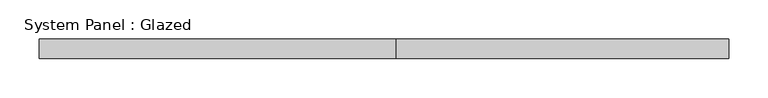
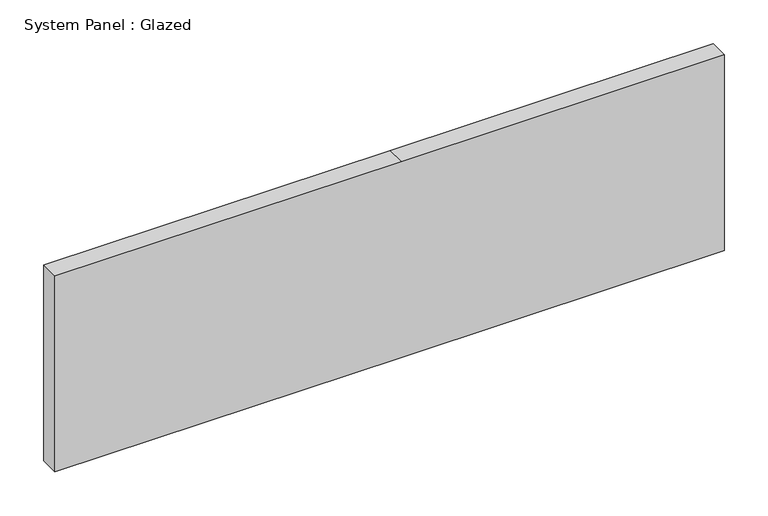
"""IFC4 building model written with IfcOpenShell, lengths in millimetres: plate geometry, System Panel : Glazed."""

import ifcopenshell
import ifcopenshell.guid

model = None  # the IFC model being written
_history = None  # IfcOwnerHistory: only IFC2X3 demands one
_inside = {}  # id of a spatial element -> (the spatial element, [elements in it])
_under = {}  # id of a project, library or spatial element -> (it, [spatial elements below it])
_declared = {}  # id of a project -> (the project, [libraries it declares])
_typed = {}  # id of a type object -> (the type object, [elements of that type])
_made_of = {}  # id of a material, layer set ... -> (it, [elements and type objects made of it])


def new_model(schema):
    """Start an empty IFC model of exactly this schema.

    Asked for "IFC4X3", IfcOpenShell would pick the latest addendum, in which some entities
    have other attributes; the version numbers below select the first issue.
    IFC2X3 requires an IfcOwnerHistory on every rooted entity: one is made here for all.
    """
    global model, _history
    if schema == "IFC4X3":
        model = ifcopenshell.file(schema_version=(4, 3, 0, 0))
    else:
        model = ifcopenshell.file(schema=schema)
    _inside.clear()
    _under.clear()
    _declared.clear()
    _typed.clear()
    _made_of.clear()
    _history = None
    if model.schema == "IFC2X3":
        org = make("IfcOrganization", Name="unknown")
        user = make(
            "IfcPersonAndOrganization",
            ThePerson=make("IfcPerson", FamilyName="unknown"),
            TheOrganization=org,
        )
        app = make(
            "IfcApplication",
            ApplicationDeveloper=org,
            Version="unknown",
            ApplicationFullName="unknown",
            ApplicationIdentifier="unknown",
        )
        _history = make(
            "IfcOwnerHistory",
            OwningUser=user,
            OwningApplication=app,
            ChangeAction="ADDED",
            CreationDate=0,
        )
    return model


def make(cls, **values):
    """One entity of the class cls with the attributes given. An attribute that is None is left unset."""
    return model.create_entity(
        cls, **{name: value for name, value in values.items() if value is not None}
    )


def rooted(cls, **values):
    """An entity with a GlobalId (a new one), such as an element, a storey or a relation."""
    return make(cls, GlobalId=ifcopenshell.guid.new(), OwnerHistory=_history, **values)


def si_unit(unit_type, name, prefix=None):
    """IfcSIUnit, for example si_unit("LENGTHUNIT", "METRE", prefix="MILLI")."""
    return make("IfcSIUnit", UnitType=unit_type, Prefix=prefix, Name=name)


def assignment(units):
    """IfcUnitAssignment: the units of a project."""
    return None if units is None else make("IfcUnitAssignment", Units=units)


def point(xyz):
    """IfcCartesianPoint."""
    return None if xyz is None else make("IfcCartesianPoint", Coordinates=xyz)


def direction(xyz):
    """IfcDirection."""
    return None if xyz is None else make("IfcDirection", DirectionRatios=xyz)


def frame(location, z_axis=None, x_axis=None):
    """IfcAxis2Placement3D, a coordinate frame: its origin and axes. An axis left out is left unset."""
    return make(
        "IfcAxis2Placement3D",
        Location=point(location),
        Axis=direction(z_axis),
        RefDirection=direction(x_axis),
    )


def origin():
    """The frame at (0, 0, 0) with its axes left unset."""
    return frame((0.0, 0.0, 0.0))


def place(relative_to, where):
    """IfcLocalPlacement: puts the frame where relative to a parent placement (None: the world)."""
    return make(
        "IfcLocalPlacement", PlacementRelTo=relative_to, RelativePlacement=where
    )


def context(
    kind, dimensions, precision=None, world=None, true_north=None, identifier=None
):
    """IfcGeometricRepresentationContext, for example the 3D "Model" context."""
    return make(
        "IfcGeometricRepresentationContext",
        ContextIdentifier=identifier,
        ContextType=kind,
        CoordinateSpaceDimension=dimensions,
        Precision=precision,
        WorldCoordinateSystem=world,
        TrueNorth=true_north,
    )


def project(units=None, contexts=None):
    """IfcProject with its units and contexts."""
    return rooted(
        "IfcProject",
        Name="project",
        RepresentationContexts=contexts,
        UnitsInContext=assignment(units),
    )


def spatial(cls, under=None, at=None, **own):
    """A site, building, storey or space (cls), placed at a placement, below another one or the project."""
    s = rooted(cls, ObjectPlacement=at, **own)
    if under is not None:
        _under.setdefault(under.id(), (under, []))[1].append(s)
    return s


def polyline(points):
    """IfcPolyline through the points."""
    return make("IfcPolyline", Points=[point(p) for p in points])


def outline(outer, holes=None, kind="AREA"):
    """IfcArbitraryClosedProfileDef: a profile drawn as a closed curve; with holes, ...WithVoids."""
    if holes is None:
        return make("IfcArbitraryClosedProfileDef", ProfileType=kind, OuterCurve=outer)
    return make(
        "IfcArbitraryProfileDefWithVoids",
        ProfileType=kind,
        OuterCurve=outer,
        InnerCurves=holes,
    )


def extrude(swept, where, along, depth):
    """IfcExtrudedAreaSolid: the profile swept, set in the frame where, extruded along a direction by depth."""
    return make(
        "IfcExtrudedAreaSolid",
        SweptArea=swept,
        Position=where,
        ExtrudedDirection=direction(along),
        Depth=depth,
    )


def shape(context_of_items, identifier, shape_type, items):
    """IfcShapeRepresentation: the items that make up one representation, for example the "Body"."""
    return make(
        "IfcShapeRepresentation",
        ContextOfItems=context_of_items,
        RepresentationIdentifier=identifier,
        RepresentationType=shape_type,
        Items=items,
    )


def source(mapping_origin, context_of_items, identifier, shape_type, items):
    """IfcRepresentationMap: a shape defined once, which mapped items show again and again."""
    return make(
        "IfcRepresentationMap",
        MappingOrigin=mapping_origin,
        MappedRepresentation=shape(context_of_items, identifier, shape_type, items),
    )


def transform(
    local_origin,
    x_axis=None,
    y_axis=None,
    z_axis=None,
    scale=None,
    scale2=None,
    scale3=None,
    uniform=True,
):
    """IfcCartesianTransformationOperator3D, or its non-uniform kind. x_axis, y_axis, z_axis: its Axis1, 2, 3."""
    if uniform:
        return make(
            "IfcCartesianTransformationOperator3D",
            Axis1=direction(x_axis),
            Axis2=direction(y_axis),
            LocalOrigin=point(local_origin),
            Scale=scale,
            Axis3=direction(z_axis),
        )
    return make(
        "IfcCartesianTransformationOperator3DnonUniform",
        Axis1=direction(x_axis),
        Axis2=direction(y_axis),
        LocalOrigin=point(local_origin),
        Scale=scale,
        Axis3=direction(z_axis),
        Scale2=scale2,
        Scale3=scale3,
    )


def mapped(mapping_source, mapping_target):
    """IfcMappedItem: shows the shape of a source again, moved by a transform."""
    return make(
        "IfcMappedItem", MappingSource=mapping_source, MappingTarget=mapping_target
    )


def made_of(thing, what):
    """Note that an element or type object is made of a material, layer set ...; save() writes the relation."""
    if what is not None:
        _made_of.setdefault(what.id(), (what, []))[1].append(thing)
    return thing


def element(
    cls,
    number,
    at=None,
    inside=None,
    cuts=None,
    type_object=None,
    material=None,
    context=None,
    identifier="Body",
    shape_type=None,
    held_by="IfcProductDefinitionShape",
    body=None,
    shapes=None,
    **own,
):
    """One element of the class cls, such as IfcWall. Its Tag is "e" and its number.

    at: its placement. inside: the storey or other place that contains it. cuts: it is an
    opening in that element (IfcRelVoidsElement). A single representation is given by context,
    identifier, shape_type and body (its items); several are given by shapes. held_by: the class
    of the entity that holds the representations. save() writes the other relations.
    """
    e = rooted(cls, Tag="e%d" % number, ObjectPlacement=at, **own)
    if body is not None:
        shapes = [shape(context, identifier, shape_type, body)]
    if shapes is not None:
        e.Representation = make(held_by, Representations=shapes)
    if inside is not None:
        _inside.setdefault(inside.id(), (inside, []))[1].append(e)
    if cuts is not None:
        rooted(
            "IfcRelVoidsElement", RelatingBuildingElement=cuts, RelatedOpeningElement=e
        )
    if type_object is not None:
        _typed.setdefault(type_object.id(), (type_object, []))[1].append(e)
    return made_of(e, material)


def aggregate(whole, parts):
    """IfcRelAggregates: a whole, such as a stair, and the parts it consists of."""
    return rooted("IfcRelAggregates", RelatingObject=whole, RelatedObjects=parts)


def save(model, path):
    """Write the relations noted so far, then the file.

    IfcRelAggregates (storeys below a building ...), IfcRelContainedInSpatialStructure (elements
    in a storey), IfcRelDefinesByType, IfcRelAssociatesMaterial and IfcRelDeclares: one each for
    every whole, place, type object, material and project.
    """
    for whole, parts in _under.values():
        aggregate(whole, parts)
    for where, things in _inside.values():
        rooted(
            "IfcRelContainedInSpatialStructure",
            RelatedElements=things,
            RelatingStructure=where,
        )
    for kind, things in _typed.values():
        rooted("IfcRelDefinesByType", RelatedObjects=things, RelatingType=kind)
    for what, things in _made_of.values():
        rooted("IfcRelAssociatesMaterial", RelatedObjects=things, RelatingMaterial=what)
    for by, libraries in _declared.values():
        rooted("IfcRelDeclares", RelatingContext=by, RelatedDefinitions=libraries)
    model.write(path)


def system_panel_glazed_33352ef3(model_context):
    return source(origin(), model_context, "Body", "SweptSolid", [
        extrude(outline(polyline([(0.0, -441.325), (0.0, 15.875), (0.0, 441.325), (273.05, 441.325), (273.05, 15.875), (273.05, -441.325), (0.0, -441.325)])), frame((0.0, 19.05, 0.0), z_axis=(0.0, 1.0, 0.0), x_axis=(0.0, 0.0, 1.0)), (0.0, 0.0, 1.0), 25.4),
    ])


if __name__ == "__main__":
    model = new_model("IFC4")
    model_context = context("Model", 3, world=origin())
    ifc_project = project(units=[si_unit("LENGTHUNIT", "METRE", prefix="MILLI")], contexts=[model_context])
    site = spatial("IfcSite", under=ifc_project)
    building = spatial("IfcBuilding", under=site)
    placement = place(None, origin())
    system_panel_glazed_shape = system_panel_glazed_33352ef3(model_context)
    element("IfcPlate", 1, ObjectType="System Panel : Glazed", at=placement, inside=building, context=model_context, shape_type="MappedRepresentation", body=[
        mapped(system_panel_glazed_shape, transform((0.0, 0.0, 0.0), x_axis=(1.0, 0.0, 0.0), y_axis=(0.0, 1.0, 0.0), z_axis=(0.0, 0.0, 1.0))),
    ])
    save(model, "model.ifc")
